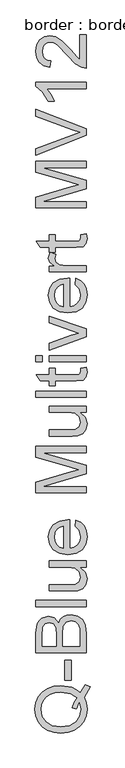
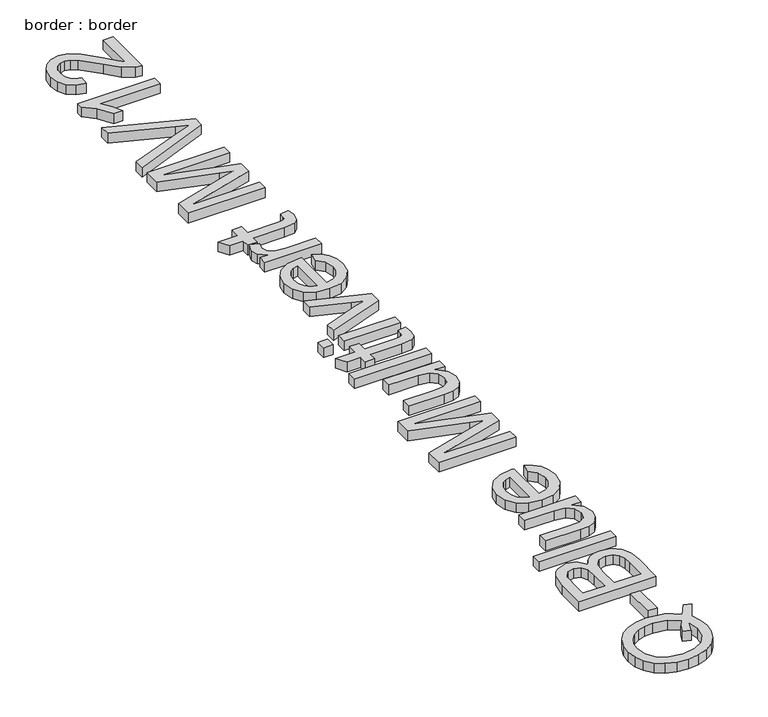
"""IFC4 building model written with IfcOpenShell, lengths in millimetres: proxy geometry, border : border."""

from ifc_helpers import new_model, si_unit, origin, origin_with_axes, place, context, project, spatial, polyline, outline, extrude, source, transform, mapped, element, save


def border_border_fe57afd5(model_context):
    return source(origin(), model_context, "Body", "SweptSolid", [
        extrude(outline(polyline([(-518.063006, 579.5960363), (-502.3544448, 602.956543), (-488.55887, 597.8797714), (-506.1804175, 566.8673192), (-499.7792708, 549.4389097), (-497.6455552, 530.2630607), (-500.1057661, 510.9952412), (-507.4863986, 493.5852258), (-519.3230018, 479.0033032), (-535.1511246, 468.2197622), (-554.1016459, 461.5564996), (-575.3054444, 459.335412), (-596.527637, 461.5519011), (-615.7540698, 468.2013681), (-631.8075203, 478.9435224), (-643.5107663, 493.438073), (-650.6568741, 510.7837091), (-653.03891, 530.0791197), (-650.6016918, 549.5262817), (-643.2900371, 566.9592897), (-631.5913897, 581.4308477), (-615.9931931, 591.9936595), (-597.3231818, 598.4499885), (-576.4090904, 600.6020982), (-543.4836518, 595.3781739), (-529.8260328, 588.8206773), (-518.063006, 579.5960363)]), holes=[polyline([(-543.1157698, 535.4501968), (-537.1284904, 551.2875167), (-528.8051602, 564.0714161), (-548.2293296, 577.342759), (-575.4525972, 581.76654), (-592.0302796, 580.2030416), (-606.3730789, 575.5125461), (-618.1177116, 567.8100168), (-626.9008942, 557.2104169), (-632.3777374, 544.4311161), (-634.2033518, 530.1894843), (-630.5107363, 509.661669), (-619.4328897, 492.9598264), (-601.0249944, 481.8681842), (-575.3422326, 478.1709702), (-550.2112938, 481.8267975), (-531.6930339, 492.7942795), (-520.2840935, 509.4455383), (-516.4811134, 530.1526961), (-520.3438743, 550.422994), (-528.6947956, 530.5941545), (-543.1157698, 535.4501968)])]), origin_with_axes(), (0.0, 0.0, 1.0), 20.0),
        extrude(outline(polyline([(-544.7344506, 617.0832116), (-563.5700088, 617.0832116), (-563.5700088, 675.9443308), (-544.7344506, 675.9443308), (-544.7344506, 617.0832116)])), origin_with_axes(), (0.0, 0.0, 1.0), 20.0),
        extrude(outline(polyline([(-500.0, 699.4887785), (-650.6844652, 699.4887785), (-650.6844652, 756.9887343), (-646.2514872, 785.1501011), (-640.6274912, 794.6138654), (-632.6214593, 801.7783673), (-613.3444427, 807.7932379), (-595.7412892, 802.7348604), (-582.4055669, 787.4493635), (-576.8321547, 798.1225399), (-568.3524747, 806.0090102), (-557.527547, 810.8788481), (-544.9183916, 812.5021274), (-524.6664878, 808.0691494), (-510.2455136, 797.0878718), (-502.5935681, 780.6987289), (-500.0, 756.5472759), (-500.0, 699.4887785)]), holes=[polyline([(-589.4689012, 718.3243366), (-589.4689012, 752.7213032), (-591.087582, 772.8076601), (-598.0589458, 784.8925837), (-610.3278104, 788.9576797), (-622.615069, 785.1684952), (-629.8807384, 774.3159763), (-631.8489071, 750.109341), (-631.8489071, 718.3243366), (-589.4689012, 718.3243366)]), polyline([(-518.8355582, 718.3243366), (-518.8355582, 756.9519461), (-519.5713221, 770.931462), (-523.6732064, 782.7588681), (-532.0425218, 790.5947546), (-544.7344506, 793.6665693), (-559.376154, 790.0613257), (-568.1133514, 778.3810724), (-570.6333431, 755.1125362), (-570.6333431, 718.3243366), (-518.8355582, 718.3243366)])]), origin_with_axes(), (0.0, 0.0, 1.0), 20.0),
        extrude(outline(polyline([(-500.0, 836.0465751), (-650.6844652, 836.0465751), (-650.6844652, 854.8821333), (-500.0, 854.8821333), (-500.0, 836.0465751)])), origin_with_axes(), (0.0, 0.0, 1.0), 20.0),
        extrude(outline(polyline([(-500.0, 953.7688136), (-519.0194992, 953.7688136), (-502.9890412, 939.0167456), (-497.6455552, 919.7765172), (-501.3979516, 902.0629991), (-510.8157307, 889.8493169), (-524.6848819, 884.2391165), (-542.1960648, 883.1354705), (-610.6589041, 883.1354705), (-610.6589041, 901.9710286), (-551.0620209, 901.9710286), (-531.8585808, 903.1114628), (-520.5829976, 910.5610732), (-516.4811134, 924.5957713), (-520.6749681, 940.3227266), (-532.0977041, 950.715393), (-553.0853719, 953.7688136), (-610.6589041, 953.7688136), (-610.6589041, 972.6043717), (-500.0, 972.6043717), (-500.0, 953.7688136)])), origin_with_axes(), (0.0, 0.0, 1.0), 20.0),
        extrude(outline(polyline([(-532.9622268, 1075.9792124), (-530.607782, 1094.4468885), (-516.6926455, 1087.7928229), (-506.2907821, 1077.1748288), (-499.806862, 1062.8320296), (-497.6455552, 1045.0035484), (-501.374959, 1022.9030375), (-512.5631701, 1005.8976923), (-530.4836218, 995.0543705), (-554.4097471, 991.4399299), (-579.1406142, 995.0911587), (-597.6358815, 1006.0448451), (-609.1689821, 1022.8202641), (-613.0133489, 1043.9366906), (-609.1781791, 1064.395528), (-597.6726697, 1080.7432842), (-579.2141906, 1091.4624458), (-554.5201117, 1095.0354997), (-549.4433402, 1094.9251351), (-549.4433402, 1010.275488), (-535.3442627, 1013.5358422), (-524.9791875, 1021.1096128), (-518.6056319, 1032.0403066), (-516.4811134, 1045.3714304), (-520.4174507, 1063.8391065), (-532.9622268, 1075.9792124)]), holes=[polyline([(-568.2788983, 1010.275488), (-568.2788983, 1076.1999416), (-578.2301063, 1073.6523587), (-585.3486229, 1068.6583607), (-591.9704988, 1057.6770831), (-594.1777908, 1043.8631142), (-592.4165557, 1031.1665868), (-587.1328506, 1020.6681544), (-578.8968924, 1013.3702953), (-568.2788983, 1010.275488)])]), origin_with_axes(), (0.0, 0.0, 1.0), 20.0),
        extrude(outline(polyline([(-500.0, 1175.0866219), (-650.6844652, 1175.0866219), (-650.6844652, 1207.4970256), (-544.4769332, 1238.3255368), (-522.2936489, 1244.5427425), (-546.3163432, 1251.2749831), (-650.6844652, 1281.5884595), (-650.6844652, 1313.9988632), (-500.0, 1313.9988632), (-500.0, 1295.1633051), (-631.8489071, 1295.1633051), (-500.0, 1257.3082478), (-500.0, 1231.7772373), (-631.8489071, 1193.92218), (-500.0, 1193.92218), (-500.0, 1175.0866219)])), origin_with_axes(), (0.0, 0.0, 1.0), 20.0),
        extrude(outline(polyline([(-500.0, 1415.2399883), (-519.0194992, 1415.2399883), (-502.9890412, 1400.4879203), (-497.6455552, 1381.247692), (-501.3979516, 1363.5341739), (-510.8157307, 1351.3204916), (-524.6848819, 1345.7102912), (-542.1960648, 1344.6066452), (-610.6589041, 1344.6066452), (-610.6589041, 1363.4422034), (-551.0620209, 1363.4422034), (-531.8585808, 1364.5826376), (-520.5829976, 1372.032248), (-516.4811134, 1386.0669461), (-520.6749681, 1401.7939014), (-532.0977041, 1412.1865678), (-553.0853719, 1415.2399883), (-610.6589041, 1415.2399883), (-610.6589041, 1434.0755465), (-500.0, 1434.0755465), (-500.0, 1415.2399883)])), origin_with_axes(), (0.0, 0.0, 1.0), 20.0),
        extrude(outline(polyline([(-500.0, 1459.9744389), (-650.6844652, 1459.9744389), (-650.6844652, 1478.8099971), (-500.0, 1478.8099971), (-500.0, 1459.9744389)])), origin_with_axes(), (0.0, 0.0, 1.0), 20.0),
        extrude(outline(polyline([(-515.7085612, 1547.0888954), (-499.448177, 1549.4433402), (-497.6455552, 1535.3534597), (-500.7725522, 1519.5713221), (-508.9763207, 1511.6986474), (-530.3502646, 1509.4177791), (-591.823346, 1509.4177791), (-591.823346, 1495.2911105), (-610.6589041, 1495.2911105), (-610.6589041, 1509.4177791), (-637.551078, 1509.4177791), (-648.6243261, 1528.2533372), (-610.6589041, 1528.2533372), (-610.6589041, 1547.0888954), (-591.823346, 1547.0888954), (-591.823346, 1528.2533372), (-530.9020876, 1528.2533372), (-521.1900029, 1529.2466186), (-517.7503063, 1532.4655861), (-516.4811134, 1538.8851269), (-515.7085612, 1547.0888954)])), origin_with_axes(), (0.0, 0.0, 1.0), 20.0),
        extrude(outline(polyline([(-500.0, 1565.9244535), (-610.6589041, 1565.9244535), (-610.6589041, 1584.7600117), (-500.0, 1584.7600117), (-500.0, 1565.9244535)])), origin_with_axes(), (0.0, 0.0, 1.0), 20.0),
        extrude(outline(polyline([(-631.8489071, 1565.9244535), (-650.6844652, 1565.9244535), (-650.6844652, 1584.7600117), (-631.8489071, 1584.7600117), (-631.8489071, 1565.9244535)])), origin_with_axes(), (0.0, 0.0, 1.0), 20.0),
        extrude(outline(polyline([(-500.0, 1640.1630402), (-610.6589041, 1601.2411251), (-610.6589041, 1621.1803292), (-544.3665686, 1644.7615651), (-522.0729197, 1651.8616876), (-543.1157698, 1658.8146573), (-610.6589041, 1682.543046), (-610.6589041, 1702.4822501), (-500.0, 1664.0385816), (-500.0, 1640.1630402)])), origin_with_axes(), (0.0, 0.0, 1.0), 20.0),
        extrude(outline(polyline([(-532.9622268, 1796.4393117), (-530.607782, 1814.9069879), (-516.6926455, 1808.2529223), (-506.2907821, 1797.6349282), (-499.806862, 1783.2921289), (-497.6455552, 1765.4636477), (-501.374959, 1743.3631369), (-512.5631701, 1726.3577916), (-530.4836218, 1715.5144698), (-554.4097471, 1711.9000292), (-579.1406142, 1715.551258), (-597.6358815, 1726.5049444), (-609.1689821, 1743.2803634), (-613.0133489, 1764.3967899), (-609.1781791, 1784.8556274), (-597.6726697, 1801.2033836), (-579.2141906, 1811.9225452), (-554.5201117, 1815.4955991), (-549.4433402, 1815.3852345), (-549.4433402, 1730.7355874), (-535.3442627, 1733.9959416), (-524.9791875, 1741.5697121), (-518.6056319, 1752.5004059), (-516.4811134, 1765.8315297), (-520.4174507, 1784.2992059), (-532.9622268, 1796.4393117)]), holes=[polyline([(-568.2788983, 1730.7355874), (-568.2788983, 1796.6600409), (-578.2301063, 1794.1124581), (-585.3486229, 1789.11846), (-591.9704988, 1778.1371825), (-594.1777908, 1764.3232135), (-592.4165557, 1751.6266862), (-587.1328506, 1741.1282537), (-578.8968924, 1733.8303947), (-568.2788983, 1730.7355874)])]), origin_with_axes(), (0.0, 0.0, 1.0), 20.0),
        extrude(outline(polyline([(-500.0, 1834.3311572), (-610.6589041, 1834.3311572), (-610.6589041, 1850.8122706), (-594.2881554, 1850.8122706), (-609.3713172, 1862.510918), (-613.0133489, 1874.2831419), (-607.2008134, 1893.1922764), (-590.3150298, 1886.9014943), (-594.1777908, 1873.6577425), (-590.4621826, 1863.0075587), (-580.1614867, 1856.2201359), (-558.1621434, 1853.1667154), (-500.0, 1853.1667154), (-500.0, 1834.3311572)])), origin_with_axes(), (0.0, 0.0, 1.0), 20.0),
        extrude(outline(polyline([(-515.7085612, 1944.9900614), (-499.448177, 1947.3445061), (-497.6455552, 1933.2546257), (-500.7725522, 1917.4724881), (-508.9763207, 1909.5998134), (-530.3502646, 1907.3189451), (-591.823346, 1907.3189451), (-591.823346, 1893.1922764), (-610.6589041, 1893.1922764), (-610.6589041, 1907.3189451), (-637.551078, 1907.3189451), (-648.6243261, 1926.1545032), (-610.6589041, 1926.1545032), (-610.6589041, 1944.9900614), (-591.823346, 1944.9900614), (-591.823346, 1926.1545032), (-530.9020876, 1926.1545032), (-521.1900029, 1927.1477846), (-517.7503063, 1930.3667521), (-516.4811134, 1936.7862929), (-515.7085612, 1944.9900614)])), origin_with_axes(), (0.0, 0.0, 1.0), 20.0),
        extrude(outline(polyline([(-500.0, 2025.0411835), (-650.6844652, 2025.0411835), (-650.6844652, 2057.4515873), (-544.4769332, 2088.2800985), (-522.2936489, 2094.4973042), (-546.3163432, 2101.2295447), (-650.6844652, 2131.5430211), (-650.6844652, 2163.9534249), (-500.0, 2163.9534249), (-500.0, 2145.1178667), (-631.8489071, 2145.1178667), (-500.0, 2107.2628094), (-500.0, 2081.731799), (-631.8489071, 2043.8767417), (-500.0, 2043.8767417), (-500.0, 2025.0411835)])), origin_with_axes(), (0.0, 0.0, 1.0), 20.0),
        extrude(outline(polyline([(-500.0, 2241.4293731), (-650.6844652, 2181.4646079), (-650.6844652, 2201.6245412), (-542.1224884, 2241.7604669), (-517.6583358, 2249.890659), (-542.1224884, 2257.9104865), (-650.6844652, 2298.1567767), (-650.6844652, 2318.3167101), (-500.0, 2260.8903306), (-500.0, 2241.4293731)])), origin_with_axes(), (0.0, 0.0, 1.0), 20.0),
        extrude(outline(polyline([(-500.0, 2399.3979018), (-500.0, 2380.5623437), (-617.4279329, 2380.5623437), (-604.7176099, 2362.7200669), (-595.2078604, 2342.8912273), (-613.0133489, 2342.8912273), (-630.6348965, 2370.5007711), (-650.6844652, 2387.257796), (-650.6844652, 2399.3979018), (-500.0, 2399.3979018)])), origin_with_axes(), (0.0, 0.0, 1.0), 20.0),
        extrude(outline(polyline([(-518.8355582, 2540.664588), (-500.0, 2540.664588), (-500.0, 2441.7779077), (-512.9862344, 2443.8012586), (-532.9806209, 2455.2423887), (-554.8144173, 2478.8236246), (-586.1947515, 2511.3443929), (-597.0104821, 2517.442037), (-607.5319072, 2519.474585), (-616.9634818, 2517.5570001), (-624.8039669, 2511.8042454), (-630.087672, 2502.961282), (-631.8489071, 2491.7730708), (-630.1290587, 2480.0238396), (-624.9695138, 2470.8957676), (-616.7749423, 2465.0050571), (-605.9500146, 2462.9679106), (-608.3044594, 2444.1323524), (-626.5238152, 2448.6986877), (-639.8319464, 2458.5717207), (-647.9713355, 2473.2364168), (-650.6844652, 2492.177741), (-647.6678329, 2511.257021), (-638.6179358, 2525.8941258), (-625.0982725, 2535.2061389), (-608.6723414, 2538.3101432), (-590.8116705, 2534.962417), (-572.3439944, 2523.8339867), (-546.5370724, 2496.8498423), (-528.4188841, 2475.1815928), (-518.8355582, 2466.6835187), (-518.8355582, 2540.664588)])), origin_with_axes(), (0.0, 0.0, 1.0), 20.0),
    ])


if __name__ == "__main__":
    model = new_model("IFC4")
    model_context = context("Model", 3, world=origin())
    ifc_project = project(units=[si_unit("LENGTHUNIT", "METRE", prefix="MILLI")], contexts=[model_context])
    site = spatial("IfcSite", under=ifc_project)
    building = spatial("IfcBuilding", under=site)
    placement = place(None, origin())
    border_border_shape = border_border_fe57afd5(model_context)
    element("IfcBuildingElementProxy", 1, Name="border : border", ObjectType="border : border", at=placement, inside=building, context=model_context, shape_type="MappedRepresentation", body=[
        mapped(border_border_shape, transform((0.0, 0.0, 0.0), x_axis=(1.0, 0.0, 0.0), y_axis=(0.0, 1.0, 0.0), z_axis=(0.0, 0.0, 1.0))),
    ])
    save(model, "model.ifc")
